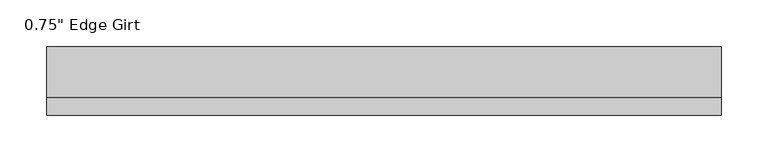
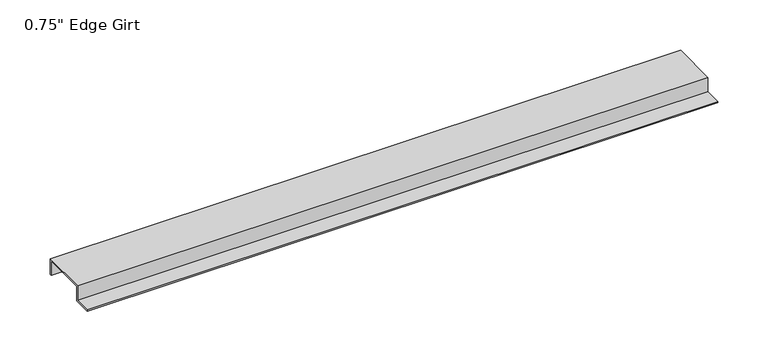
"""IFC4 building model written with IfcOpenShell, lengths in millimetres: proxy geometry."""

from ifc_helpers import new_model, si_unit, frame, origin, place, context, project, spatial, polyline, outline, extrude, source, transform, mapped, element, save


def proxy_93bafe13(model_context):
    return source(origin(), model_context, "Body", "SweptSolid", [
        extrude(outline(polyline([(-46.0559645, -17.4375), (-46.0559645, -15.8242), (-27.0129, -15.8242), (-27.0129, 1.6129), (27.0129, 1.6129), (27.0129, -17.4375), (25.4, -17.4375), (25.4, 0.0), (-25.4, 0.0), (-25.4, -17.4375), (-46.0559645, -17.4375)])), frame((0.0, 0.0, 0.0), z_axis=(1.0, 0.0, 0.0), x_axis=(0.0, 1.0, 0.0)), (0.0, 0.0, 1.0), 720.6880709),
    ])


if __name__ == "__main__":
    model = new_model("IFC4")
    model_context = context("Model", 3, world=origin())
    ifc_project = project(units=[si_unit("LENGTHUNIT", "METRE", prefix="MILLI")], contexts=[model_context])
    site = spatial("IfcSite", under=ifc_project)
    building = spatial("IfcBuilding", under=site)
    placement = place(None, origin())
    proxy_shape = proxy_93bafe13(model_context)
    element("IfcBuildingElementProxy", 1, Name="0.75\" Edge Girt", ObjectType="0.75\" Edge Girt", at=placement, inside=building, context=model_context, shape_type="MappedRepresentation", body=[
        mapped(proxy_shape, transform((0.0, 0.0, 0.0), x_axis=(1.0, 0.0, 0.0), y_axis=(0.0, 1.0, 0.0), z_axis=(0.0, 0.0, 1.0))),
    ])
    save(model, "model.ifc")
